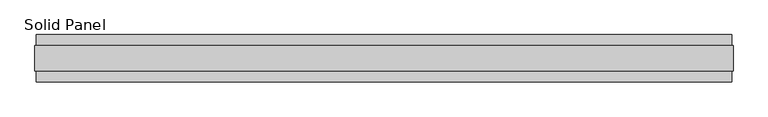
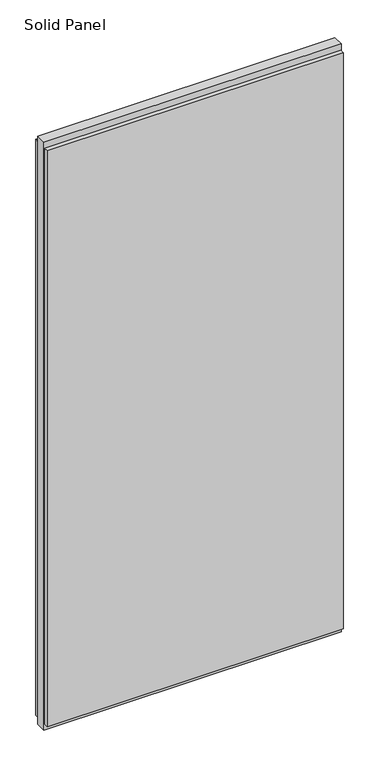
"""IFC4 building model written with IfcOpenShell, lengths in millimetres: plate geometry, Solid Panel."""

from ifc_helpers import new_model, si_unit, frame, origin, origin_with_axes, place, context, project, spatial, polyline, outline, extrude, source, transform, mapped, element, save


def solid_panel_a3e8f3c5(model_context):
    return source(origin(), model_context, "Body", "SweptSolid", [
        extrude(outline(polyline([(713.7052018, -48.4531867), (-713.7052018, -48.4531867), (-713.7052018, -25.9961), (713.7052018, -25.9961), (713.7052018, -48.4531867)])), frame((0.0, 0.0, 32.004), z_axis=(0.0, 0.0, 1.0), x_axis=(1.0, 0.0, 0.0)), (0.0, 0.0, 1.0), 2933.192),
        extrude(outline(polyline([(713.7052018, 25.9977), (-713.7052018, 25.9977), (-713.7052018, 48.4547867), (713.7052018, 48.4547867), (713.7052018, 25.9977)])), frame((0.0, 0.0, 32.004), z_axis=(0.0, 0.0, 1.0), x_axis=(1.0, 0.0, 0.0)), (0.0, 0.0, 1.0), 2933.192),
        extrude(outline(polyline([(716.7024018, -25.9961), (-716.7024018, -25.9961), (-716.7024018, 25.9977), (716.7024018, 25.9977), (716.7024018, -25.9961)])), origin_with_axes(), (0.0, 0.0, 1.0), 2997.2),
    ])


if __name__ == "__main__":
    model = new_model("IFC4")
    model_context = context("Model", 3, world=origin())
    ifc_project = project(units=[si_unit("LENGTHUNIT", "METRE", prefix="MILLI")], contexts=[model_context])
    site = spatial("IfcSite", under=ifc_project)
    building = spatial("IfcBuilding", under=site)
    placement = place(None, origin())
    solid_panel_shape = solid_panel_a3e8f3c5(model_context)
    element("IfcPlate", 1, ObjectType="Solid Panel", at=placement, inside=building, context=model_context, shape_type="MappedRepresentation", body=[
        mapped(solid_panel_shape, transform((0.0, 0.0, 0.0), x_axis=(1.0, 0.0, 0.0), y_axis=(0.0, 1.0, 0.0), z_axis=(0.0, 0.0, 1.0))),
    ])
    save(model, "model.ifc")
